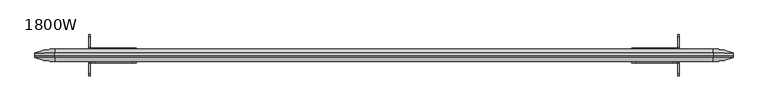
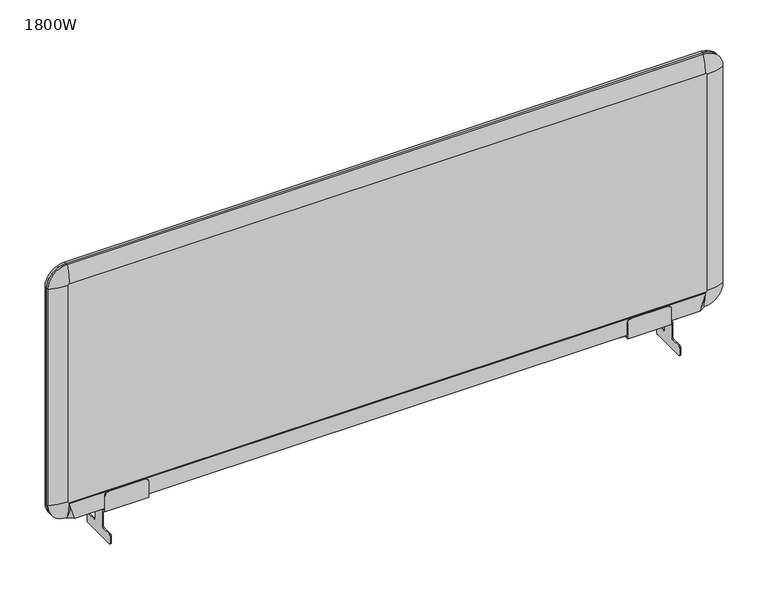
"""IFC4 building model written with IfcOpenShell, lengths in millimetres: furniture geometry, 1800W."""

import ifcopenshell
import ifcopenshell.guid

model = None  # the IFC model being written
_history = None  # IfcOwnerHistory: only IFC2X3 demands one
_inside = {}  # id of a spatial element -> (the spatial element, [elements in it])
_under = {}  # id of a project, library or spatial element -> (it, [spatial elements below it])
_declared = {}  # id of a project -> (the project, [libraries it declares])
_typed = {}  # id of a type object -> (the type object, [elements of that type])
_made_of = {}  # id of a material, layer set ... -> (it, [elements and type objects made of it])


def new_model(schema):
    """Start an empty IFC model of exactly this schema.

    Asked for "IFC4X3", IfcOpenShell would pick the latest addendum, in which some entities
    have other attributes; the version numbers below select the first issue.
    IFC2X3 requires an IfcOwnerHistory on every rooted entity: one is made here for all.
    """
    global model, _history
    if schema == "IFC4X3":
        model = ifcopenshell.file(schema_version=(4, 3, 0, 0))
    else:
        model = ifcopenshell.file(schema=schema)
    _inside.clear()
    _under.clear()
    _declared.clear()
    _typed.clear()
    _made_of.clear()
    _history = None
    if model.schema == "IFC2X3":
        org = make("IfcOrganization", Name="unknown")
        user = make(
            "IfcPersonAndOrganization",
            ThePerson=make("IfcPerson", FamilyName="unknown"),
            TheOrganization=org,
        )
        app = make(
            "IfcApplication",
            ApplicationDeveloper=org,
            Version="unknown",
            ApplicationFullName="unknown",
            ApplicationIdentifier="unknown",
        )
        _history = make(
            "IfcOwnerHistory",
            OwningUser=user,
            OwningApplication=app,
            ChangeAction="ADDED",
            CreationDate=0,
        )
    return model


def make(cls, **values):
    """One entity of the class cls with the attributes given. An attribute that is None is left unset."""
    return model.create_entity(
        cls, **{name: value for name, value in values.items() if value is not None}
    )


def rooted(cls, **values):
    """An entity with a GlobalId (a new one), such as an element, a storey or a relation."""
    return make(cls, GlobalId=ifcopenshell.guid.new(), OwnerHistory=_history, **values)


def si_unit(unit_type, name, prefix=None):
    """IfcSIUnit, for example si_unit("LENGTHUNIT", "METRE", prefix="MILLI")."""
    return make("IfcSIUnit", UnitType=unit_type, Prefix=prefix, Name=name)


def assignment(units):
    """IfcUnitAssignment: the units of a project."""
    return None if units is None else make("IfcUnitAssignment", Units=units)


def point(xyz):
    """IfcCartesianPoint."""
    return None if xyz is None else make("IfcCartesianPoint", Coordinates=xyz)


def direction(xyz):
    """IfcDirection."""
    return None if xyz is None else make("IfcDirection", DirectionRatios=xyz)


def frame(location, z_axis=None, x_axis=None):
    """IfcAxis2Placement3D, a coordinate frame: its origin and axes. An axis left out is left unset."""
    return make(
        "IfcAxis2Placement3D",
        Location=point(location),
        Axis=direction(z_axis),
        RefDirection=direction(x_axis),
    )


def origin():
    """The frame at (0, 0, 0) with its axes left unset."""
    return frame((0.0, 0.0, 0.0))


def place(relative_to, where):
    """IfcLocalPlacement: puts the frame where relative to a parent placement (None: the world)."""
    return make(
        "IfcLocalPlacement", PlacementRelTo=relative_to, RelativePlacement=where
    )


def context(
    kind, dimensions, precision=None, world=None, true_north=None, identifier=None
):
    """IfcGeometricRepresentationContext, for example the 3D "Model" context."""
    return make(
        "IfcGeometricRepresentationContext",
        ContextIdentifier=identifier,
        ContextType=kind,
        CoordinateSpaceDimension=dimensions,
        Precision=precision,
        WorldCoordinateSystem=world,
        TrueNorth=true_north,
    )


def project(units=None, contexts=None):
    """IfcProject with its units and contexts."""
    return rooted(
        "IfcProject",
        Name="project",
        RepresentationContexts=contexts,
        UnitsInContext=assignment(units),
    )


def spatial(cls, under=None, at=None, **own):
    """A site, building, storey or space (cls), placed at a placement, below another one or the project."""
    s = rooted(cls, ObjectPlacement=at, **own)
    if under is not None:
        _under.setdefault(under.id(), (under, []))[1].append(s)
    return s


def polyline(points):
    """IfcPolyline through the points."""
    return make("IfcPolyline", Points=[point(p) for p in points])


def circle_curve(where, radius):
    """IfcCircle in the frame where."""
    return make("IfcCircle", Position=where, Radius=radius)


def ellipse_curve(where, semi_axis1, semi_axis2):
    """IfcEllipse in the frame where."""
    return make(
        "IfcEllipse", Position=where, SemiAxis1=semi_axis1, SemiAxis2=semi_axis2
    )


def trimmed(basis, trim1, trim2, sense, master):
    """IfcTrimmedCurve: the piece of a basis curve between two trims."""
    return make(
        "IfcTrimmedCurve",
        BasisCurve=basis,
        Trim1=trim1,
        Trim2=trim2,
        SenseAgreement=sense,
        MasterRepresentation=master,
    )


def faces_of(points, faces, orient=None, outer=None):
    """IfcFace entities. A face is a list of loops; a loop is a list of indices into points, from 0.

    orient and outer hold one flag for each loop. By default every Orientation is true, the
    first loop of a face is its IfcFaceOuterBound and the others are IfcFaceBound.
    """
    made = []
    for i, loops in enumerate(faces):
        bounds = []
        for j, loop in enumerate(loops):
            is_outer = j == 0 if outer is None else outer[i][j]
            bounds.append(
                make(
                    "IfcFaceOuterBound" if is_outer else "IfcFaceBound",
                    Bound=make("IfcPolyLoop", Polygon=[points[k] for k in loop]),
                    Orientation=True if orient is None else orient[i][j],
                )
            )
        made.append(make("IfcFace", Bounds=bounds))
    return made


def faceted_brep(points, faces, orient=None, outer=None, voids=None):
    """IfcFacetedBrep: a solid bounded by flat faces; with voids (closed shells), ...WithVoids."""
    shared = [point(p) for p in points]
    hull = make("IfcClosedShell", CfsFaces=faces_of(shared, faces, orient, outer))
    if voids is None:
        return make("IfcFacetedBrep", Outer=hull)
    return make(
        "IfcFacetedBrepWithVoids",
        Outer=hull,
        Voids=[
            make(cls, CfsFaces=faces_of(shared, fs, o, b)) for cls, fs, o, b in voids
        ],
    )


def shape(context_of_items, identifier, shape_type, items):
    """IfcShapeRepresentation: the items that make up one representation, for example the "Body"."""
    return make(
        "IfcShapeRepresentation",
        ContextOfItems=context_of_items,
        RepresentationIdentifier=identifier,
        RepresentationType=shape_type,
        Items=items,
    )


def source(mapping_origin, context_of_items, identifier, shape_type, items):
    """IfcRepresentationMap: a shape defined once, which mapped items show again and again."""
    return make(
        "IfcRepresentationMap",
        MappingOrigin=mapping_origin,
        MappedRepresentation=shape(context_of_items, identifier, shape_type, items),
    )


def transform(
    local_origin,
    x_axis=None,
    y_axis=None,
    z_axis=None,
    scale=None,
    scale2=None,
    scale3=None,
    uniform=True,
):
    """IfcCartesianTransformationOperator3D, or its non-uniform kind. x_axis, y_axis, z_axis: its Axis1, 2, 3."""
    if uniform:
        return make(
            "IfcCartesianTransformationOperator3D",
            Axis1=direction(x_axis),
            Axis2=direction(y_axis),
            LocalOrigin=point(local_origin),
            Scale=scale,
            Axis3=direction(z_axis),
        )
    return make(
        "IfcCartesianTransformationOperator3DnonUniform",
        Axis1=direction(x_axis),
        Axis2=direction(y_axis),
        LocalOrigin=point(local_origin),
        Scale=scale,
        Axis3=direction(z_axis),
        Scale2=scale2,
        Scale3=scale3,
    )


def mapped(mapping_source, mapping_target):
    """IfcMappedItem: shows the shape of a source again, moved by a transform."""
    return make(
        "IfcMappedItem", MappingSource=mapping_source, MappingTarget=mapping_target
    )


def made_of(thing, what):
    """Note that an element or type object is made of a material, layer set ...; save() writes the relation."""
    if what is not None:
        _made_of.setdefault(what.id(), (what, []))[1].append(thing)
    return thing


def element(
    cls,
    number,
    at=None,
    inside=None,
    cuts=None,
    type_object=None,
    material=None,
    context=None,
    identifier="Body",
    shape_type=None,
    held_by="IfcProductDefinitionShape",
    body=None,
    shapes=None,
    **own,
):
    """One element of the class cls, such as IfcWall. Its Tag is "e" and its number.

    at: its placement. inside: the storey or other place that contains it. cuts: it is an
    opening in that element (IfcRelVoidsElement). A single representation is given by context,
    identifier, shape_type and body (its items); several are given by shapes. held_by: the class
    of the entity that holds the representations. save() writes the other relations.
    """
    e = rooted(cls, Tag="e%d" % number, ObjectPlacement=at, **own)
    if body is not None:
        shapes = [shape(context, identifier, shape_type, body)]
    if shapes is not None:
        e.Representation = make(held_by, Representations=shapes)
    if inside is not None:
        _inside.setdefault(inside.id(), (inside, []))[1].append(e)
    if cuts is not None:
        rooted(
            "IfcRelVoidsElement", RelatingBuildingElement=cuts, RelatedOpeningElement=e
        )
    if type_object is not None:
        _typed.setdefault(type_object.id(), (type_object, []))[1].append(e)
    return made_of(e, material)


def aggregate(whole, parts):
    """IfcRelAggregates: a whole, such as a stair, and the parts it consists of."""
    return rooted("IfcRelAggregates", RelatingObject=whole, RelatedObjects=parts)


def save(model, path):
    """Write the relations noted so far, then the file.

    IfcRelAggregates (storeys below a building ...), IfcRelContainedInSpatialStructure (elements
    in a storey), IfcRelDefinesByType, IfcRelAssociatesMaterial and IfcRelDeclares: one each for
    every whole, place, type object, material and project.
    """
    for whole, parts in _under.values():
        aggregate(whole, parts)
    for where, things in _inside.values():
        rooted(
            "IfcRelContainedInSpatialStructure",
            RelatedElements=things,
            RelatingStructure=where,
        )
    for kind, things in _typed.values():
        rooted("IfcRelDefinesByType", RelatedObjects=things, RelatingType=kind)
    for what, things in _made_of.values():
        rooted("IfcRelAssociatesMaterial", RelatedObjects=things, RelatingMaterial=what)
    for by, libraries in _declared.values():
        rooted("IfcRelDeclares", RelatingContext=by, RelatedDefinitions=libraries)
    model.write(path)


def plane_surface(at):
    """IfcPlane: the flat surface through the origin of the frame at, square to its z axis."""
    return make("IfcPlane", Position=at)


def cylinder_surface(at, radius):
    """IfcCylindricalSurface: all points at the distance radius from the z axis of the frame at."""
    return make("IfcCylindricalSurface", Position=at, Radius=radius)


def revolved_surface(curve, axis_point, axis_direction):
    """IfcSurfaceOfRevolution: the curve turned about the line through axis_point along axis_direction."""
    return make(
        "IfcSurfaceOfRevolution",
        SweptCurve=make("IfcArbitraryOpenProfileDef", ProfileType="CURVE", Curve=curve),
        AxisPosition=make("IfcAxis1Placement", Location=point(axis_point), Axis=direction(axis_direction)),
    )


def advanced_brep(points, edges, surfaces, faces):
    """IfcAdvancedBrep: a solid bounded by faces that lie on surfaces and meet in shared edges.

    An edge is (start, end): straight between two places in points (the first is 0);
    or (start, end, curve); or (start, end, curve, False) where it runs against its curve.
    A face is (place in surfaces, loops), or (place, loops, False) where it looks against
    its surface's normal. A loop lists edges by number (the first is 1), with a minus sign
    where the edge is run from its end to its start. The first loop is the outer one.
    """
    corners = [point(p) for p in points]
    vertices = [make("IfcVertexPoint", VertexGeometry=c) for c in corners]
    made = []
    for start, end, *more in edges:
        made.append(
            make(
                "IfcEdgeCurve",
                EdgeStart=vertices[start],
                EdgeEnd=vertices[end],
                EdgeGeometry=more[0] if more else make("IfcPolyline", Points=[corners[start], corners[end]]),
                SameSense=more[1] if len(more) > 1 else True,
            )
        )
    hull = []
    for where, loops, *sense in faces:
        bounds = []
        for j, loop in enumerate(loops):
            ring = [make("IfcOrientedEdge", EdgeElement=made[abs(k) - 1], Orientation=k > 0) for k in loop]
            bounds.append(
                make(
                    "IfcFaceOuterBound" if j == 0 else "IfcFaceBound",
                    Bound=make("IfcEdgeLoop", EdgeList=ring),
                    Orientation=True,
                )
            )
        hull.append(make("IfcAdvancedFace", Bounds=bounds, FaceSurface=surfaces[where], SameSense=sense[0] if sense else True))
    return make("IfcAdvancedBrep", Outer=make("IfcClosedShell", CfsFaces=hull))


def furniture_1800w_35664eb0(model_context):
    return source(origin(), model_context, "Body", "SolidModel", [
        advanced_brep(
        [(887.5, 6.0, 1169.0), (887.5, 0.0, 1169.0), (887.5, 0.0, 567.0), (887.5, 6.0, 567.0), (836.5, 6.0, 516.0), (836.5, 0.0, 516.0), (-836.5, 0.0, 516.0), (-836.5, 6.0, 516.0), (-887.5, 6.0, 567.0), (-887.5, 0.0, 567.0), (-887.5, 0.0, 1169.0), (-887.5, 6.0, 1169.0), (-836.5, 6.0, 1220.0), (-836.5, 0.0, 1220.0), (836.5, 0.0, 1220.0), (836.5, 6.0, 1220.0), (839.5416848, 16.0, 1169.0), (836.5, 16.0, 1172.0416848), (839.5416848, 16.0, 567.0), (836.5, 16.0, 563.9583152), (-836.5, 16.0, 563.9583152), (-839.5416848, 16.0, 567.0), (-839.5416848, 16.0, 1169.0), (-836.5, 16.0, 1172.0416848)],
        [
            (0, 1),
            (1, 2),
            (2, 3),
            (3, 0),
            (4, 5),
            (5, 6),
            (6, 7),
            (7, 4),
            (8, 9),
            (9, 10),
            (10, 11),
            (11, 8),
            (12, 13),
            (13, 14),
            (14, 15),
            (15, 12),
            (0, 15, circle_curve(frame((836.5, 6.0, 1169.0), z_axis=(0.0, -1.0, 0.0), x_axis=(0.0, 0.0, 1.0)), 51.0)),
            (14, 1, circle_curve(frame((836.5, 0.0, 1169.0), z_axis=(0.0, 1.0, 0.0), x_axis=(0.0, 0.0, 1.0)), 51.0)),
            (2, 5, circle_curve(frame((836.5, 0.0, 567.0), z_axis=(0.0, 1.0, 0.0), x_axis=(1.0, 0.0, 0.0)), 51.0)),
            (4, 3, circle_curve(frame((836.5, 6.0, 567.0), z_axis=(0.0, -1.0, 0.0), x_axis=(1.0, 0.0, 0.0)), 51.0)),
            (6, 9, circle_curve(frame((-836.5, 0.0, 567.0), z_axis=(0.0, 1.0, 0.0), x_axis=(0.0, 0.0, -1.0)), 51.0)),
            (8, 7, circle_curve(frame((-836.5, 6.0, 567.0), z_axis=(0.0, -1.0, 0.0), x_axis=(0.0, 0.0, -1.0)), 51.0)),
            (10, 13, circle_curve(frame((-836.5, 0.0, 1169.0), z_axis=(0.0, 1.0, 0.0), x_axis=(-1.0, 0.0, 0.0)), 51.0)),
            (12, 11, circle_curve(frame((-836.5, 6.0, 1169.0), z_axis=(0.0, -1.0, 0.0), x_axis=(-1.0, 0.0, 0.0)), 51.0)),
            (0, 16, circle_curve(frame((839.5416848, -104.0, 1169.0), z_axis=(0.0, 0.0, 1.0), x_axis=(-1.0, 0.0, 0.0)), 120.0)),
            (16, 17, circle_curve(frame((836.5, 16.0, 1169.0), z_axis=(0.0, -1.0, 0.0), x_axis=(0.0, 0.0, 1.0)), 3.0416848)),
            (17, 15, circle_curve(frame((836.5, -104.0, 1172.0416848), z_axis=(1.0, 0.0, 0.0), x_axis=(0.0, 0.0, -1.0)), 120.0)),
            (3, 18, circle_curve(frame((839.5416848, -104.0, 567.0), z_axis=(0.0, 0.0, 1.0), x_axis=(-1.0, 0.0, 0.0)), 120.0)),
            (18, 16),
            (4, 19, circle_curve(frame((836.5, -104.0, 563.9583152), z_axis=(1.0, 0.0, 0.0), x_axis=(0.0, 0.0, 1.0)), 120.0)),
            (19, 18, circle_curve(frame((836.5, 16.0, 567.0), z_axis=(0.0, -1.0, 0.0), x_axis=(1.0, 0.0, 0.0)), 3.0416848)),
            (7, 20, circle_curve(frame((-836.5, -104.0, 563.9583152), z_axis=(1.0, 0.0, 0.0), x_axis=(0.0, 0.0, 1.0)), 120.0)),
            (20, 19),
            (8, 21, circle_curve(frame((-839.5416848, -104.0, 567.0), z_axis=(0.0, 0.0, -1.0), x_axis=(1.0, 0.0, 0.0)), 120.0)),
            (21, 20, circle_curve(frame((-836.5, 16.0, 567.0), z_axis=(0.0, -1.0, 0.0), x_axis=(0.0, 0.0, -1.0)), 3.0416848)),
            (11, 22, circle_curve(frame((-839.5416848, -104.0, 1169.0), z_axis=(0.0, 0.0, -1.0), x_axis=(1.0, 0.0, 0.0)), 120.0)),
            (22, 21),
            (12, 23, circle_curve(frame((-836.5, -104.0, 1172.0416848), z_axis=(-1.0, 0.0, 0.0), x_axis=(0.0, 0.0, -1.0)), 120.0)),
            (23, 22, circle_curve(frame((-836.5, 16.0, 1169.0), z_axis=(0.0, -1.0, 0.0), x_axis=(-1.0, 0.0, 0.0)), 3.0416848)),
            (17, 23),
        ],
        [
            plane_surface(frame((887.5, 0.0, 1169.0), z_axis=(1.0, 0.0, 0.0), x_axis=(0.0, 0.0, -1.0))),
            plane_surface(frame((836.5, 0.0, 516.0), z_axis=(0.0, 0.0, -1.0), x_axis=(-1.0, 0.0, 0.0))),
            plane_surface(frame((-887.5, 0.0, 567.0), z_axis=(-1.0, 0.0, 0.0), x_axis=(0.0, 0.0, 1.0))),
            plane_surface(frame((-836.5, 0.0, 1220.0), z_axis=(0.0, 0.0, 1.0), x_axis=(1.0, 0.0, 0.0))),
            cylinder_surface(frame((836.5, 0.0, 1169.0), z_axis=(0.0, 1.0, 0.0), x_axis=(0.0, 0.0, 1.0)), 51.0),
            cylinder_surface(frame((836.5, 0.0, 567.0), z_axis=(0.0, 1.0, 0.0), x_axis=(1.0, 0.0, 0.0)), 51.0),
            cylinder_surface(frame((-836.5, 0.0, 567.0), z_axis=(0.0, 1.0, 0.0), x_axis=(0.0, 0.0, -1.0)), 51.0),
            cylinder_surface(frame((-836.5, 0.0, 1169.0), z_axis=(0.0, 1.0, 0.0), x_axis=(-1.0, 0.0, 0.0)), 51.0),
            plane_surface(frame((-836.5, 0.0, 1170.0), z_axis=(0.0, -1.0, 0.0), x_axis=(1.0, 0.0, 0.0))),
            revolved_surface(trimmed(ellipse_curve(frame((836.5, -104.0, 1172.0416848), z_axis=(-1.0, 0.0, 0.0), x_axis=(0.0, 0.0, -1.0)), 120.0, 120.0), [point((836.5, 6.0, 1220.0))], [point((836.5, 16.0, 1172.0416848))], True, "CARTESIAN"), (836.5, 0.0, 1169.0), (0.0, 1.0, 0.0)),
            cylinder_surface(frame((839.5416848, -104.0, 1169.0), z_axis=(0.0, 0.0, 1.0), x_axis=(-1.0, 0.0, 0.0)), 120.0),
            revolved_surface(trimmed(ellipse_curve(frame((839.5416848, -104.0, 567.0), z_axis=(0.0, 0.0, 1.0), x_axis=(-1.0, 0.0, 0.0)), 120.0, 120.0), [point((887.5, 6.0, 567.0))], [point((839.5416848, 16.0, 567.0))], True, "CARTESIAN"), (836.5, 0.0, 567.0), (0.0, 1.0, 0.0)),
            cylinder_surface(frame((836.5, -104.0, 563.9583152), z_axis=(1.0, 0.0, 0.0), x_axis=(0.0, 0.0, 1.0)), 120.0),
            revolved_surface(trimmed(ellipse_curve(frame((-836.5, -104.0, 563.9583152), z_axis=(1.0, 0.0, 0.0), x_axis=(0.0, 0.0, 1.0)), 120.0, 120.0), [point((-836.5, 6.0, 516.0))], [point((-836.5, 16.0, 563.9583152))], True, "CARTESIAN"), (-836.5, 0.0, 567.0), (0.0, 1.0, 0.0)),
            cylinder_surface(frame((-839.5416848, -104.0, 567.0), z_axis=(0.0, 0.0, -1.0), x_axis=(1.0, 0.0, 0.0)), 120.0),
            revolved_surface(trimmed(ellipse_curve(frame((-839.5416848, -104.0, 1169.0), z_axis=(0.0, 0.0, -1.0), x_axis=(1.0, 0.0, 0.0)), 120.0, 120.0), [point((-887.5, 6.0, 1169.0))], [point((-839.5416848, 16.0, 1169.0))], True, "CARTESIAN"), (-836.5, 0.0, 1169.0), (0.0, 1.0, 0.0)),
            cylinder_surface(frame((-836.5, -104.0, 1172.0416848), z_axis=(-1.0, 0.0, 0.0), x_axis=(0.0, 0.0, -1.0)), 120.0),
            plane_surface(frame((-836.5, 16.0, 1172.0416848), z_axis=(0.0, 1.0, 0.0), x_axis=(1.0, 0.0, 0.0))),
        ],
        [
            (0, [[1, 2, 3, 4]]),
            (1, [[5, 6, 7, 8]]),
            (2, [[9, 10, 11, 12]]),
            (3, [[13, 14, 15, 16]]),
            (4, [[-1, 17, -15, 18]]),
            (5, [[-3, 19, -5, 20]]),
            (6, [[-7, 21, -9, 22]]),
            (7, [[-11, 23, -13, 24]]),
            (8, [[-2, -18, -14, -23, -10, -21, -6, -19]]),
            (9, [[-17, 25, 26, 27]]),
            (10, [[-4, 28, 29, -25]]),
            (11, [[-20, 30, 31, -28]]),
            (12, [[-8, 32, 33, -30]]),
            (13, [[-22, 34, 35, -32]]),
            (14, [[-12, 36, 37, -34]]),
            (15, [[-24, 38, 39, -36]]),
            (16, [[-16, -27, 40, -38]]),
            (17, [[-26, -29, -31, -33, -35, -37, -39, -40]]),
        ],
    ),
        advanced_brep(
        [(836.5, -16.0, 1172.0416848), (-836.5, -16.0, 1172.0416848), (-839.5416848, -16.0, 1169.0), (-839.5416848, -16.0, 567.0), (-836.5, -16.0, 563.9583152), (836.5, -16.0, 563.9583152), (839.5416848, -16.0, 567.0), (839.5416848, -16.0, 1169.0), (887.5, 0.0, 1169.0), (887.5, 0.0, 567.0), (836.5, 0.0, 516.0), (-836.5, 0.0, 516.0), (-887.5, 0.0, 567.0), (-887.5, 0.0, 1169.0), (-836.5, 0.0, 1220.0), (836.5, 0.0, 1220.0), (887.5, -6.0, 1169.0), (887.5, -6.0, 567.0), (836.5, -6.0, 516.0), (-836.5, -6.0, 516.0), (-887.5, -6.0, 567.0), (-887.5, -6.0, 1169.0), (-836.5, -6.0, 1220.0), (836.5, -6.0, 1220.0)],
        [
            (0, 1),
            (1, 2, circle_curve(frame((-836.5, -16.0, 1169.0), z_axis=(0.0, -1.0, 0.0), x_axis=(-1.0, 0.0, 0.0)), 3.0416848)),
            (2, 3),
            (3, 4, circle_curve(frame((-836.5, -16.0, 567.0), z_axis=(0.0, -1.0, 0.0), x_axis=(0.0, 0.0, -1.0)), 3.0416848)),
            (4, 5),
            (5, 6, circle_curve(frame((836.5, -16.0, 567.0), z_axis=(0.0, -1.0, 0.0), x_axis=(1.0, 0.0, 0.0)), 3.0416848)),
            (6, 7),
            (7, 0, circle_curve(frame((836.5, -16.0, 1169.0), z_axis=(0.0, -1.0, 0.0), x_axis=(0.0, 0.0, 1.0)), 3.0416848)),
            (8, 9),
            (9, 10, circle_curve(frame((836.5, 0.0, 567.0), z_axis=(0.0, 1.0, 0.0), x_axis=(1.0, 0.0, 0.0)), 51.0)),
            (10, 11),
            (11, 12, circle_curve(frame((-836.5, 0.0, 567.0), z_axis=(0.0, 1.0, 0.0), x_axis=(0.0, 0.0, -1.0)), 51.0)),
            (12, 13),
            (13, 14, circle_curve(frame((-836.5, 0.0, 1169.0), z_axis=(0.0, 1.0, 0.0), x_axis=(-1.0, 0.0, 0.0)), 51.0)),
            (14, 15),
            (15, 8, circle_curve(frame((836.5, 0.0, 1169.0), z_axis=(0.0, 1.0, 0.0), x_axis=(0.0, 0.0, 1.0)), 51.0)),
            (8, 16),
            (16, 17),
            (17, 9),
            (10, 18),
            (18, 19),
            (19, 11),
            (12, 20),
            (20, 21),
            (21, 13),
            (14, 22),
            (22, 23),
            (23, 15),
            (23, 16, circle_curve(frame((836.5, -6.0, 1169.0), z_axis=(0.0, 1.0, 0.0), x_axis=(0.0, 0.0, 1.0)), 51.0)),
            (17, 18, circle_curve(frame((836.5, -6.0, 567.0), z_axis=(0.0, 1.0, 0.0), x_axis=(1.0, 0.0, 0.0)), 51.0)),
            (19, 20, circle_curve(frame((-836.5, -6.0, 567.0), z_axis=(0.0, 1.0, 0.0), x_axis=(0.0, 0.0, -1.0)), 51.0)),
            (21, 22, circle_curve(frame((-836.5, -6.0, 1169.0), z_axis=(0.0, 1.0, 0.0), x_axis=(-1.0, 0.0, 0.0)), 51.0)),
            (23, 0, circle_curve(frame((836.5, 104.0, 1172.0416848), z_axis=(1.0, 0.0, 0.0), x_axis=(0.0, 0.0, 1.0)), 120.0)),
            (7, 16, circle_curve(frame((839.5416848, 104.0, 1169.0), z_axis=(0.0, 0.0, 1.0), x_axis=(1.0, 0.0, 0.0)), 120.0)),
            (6, 17, circle_curve(frame((839.5416848, 104.0, 567.0), z_axis=(0.0, 0.0, 1.0), x_axis=(1.0, 0.0, 0.0)), 120.0)),
            (5, 18, circle_curve(frame((836.5, 104.0, 563.9583152), z_axis=(1.0, 0.0, 0.0), x_axis=(0.0, 0.0, -1.0)), 120.0)),
            (4, 19, circle_curve(frame((-836.5, 104.0, 563.9583152), z_axis=(1.0, 0.0, 0.0), x_axis=(0.0, 0.0, -1.0)), 120.0)),
            (3, 20, circle_curve(frame((-839.5416848, 104.0, 567.0), z_axis=(0.0, 0.0, -1.0), x_axis=(-1.0, 0.0, 0.0)), 120.0)),
            (2, 21, circle_curve(frame((-839.5416848, 104.0, 1169.0), z_axis=(0.0, 0.0, -1.0), x_axis=(-1.0, 0.0, 0.0)), 120.0)),
            (1, 22, circle_curve(frame((-836.5, 104.0, 1172.0416848), z_axis=(-1.0, 0.0, 0.0), x_axis=(0.0, 0.0, 1.0)), 120.0)),
        ],
        [
            plane_surface(frame((-835.5, -16.0, 1169.0), z_axis=(0.0, -1.0, 0.0), x_axis=(0.0, 0.0, 1.0))),
            plane_surface(frame((-835.5, 0.0, 1169.0), z_axis=(0.0, 1.0, 0.0), x_axis=(0.0, 0.0, -1.0))),
            plane_surface(frame((887.5, -6.0, 1169.0), z_axis=(1.0, 0.0, 0.0), x_axis=(0.0, 0.0, -1.0))),
            plane_surface(frame((836.5, -6.0, 516.0), z_axis=(0.0, 0.0, -1.0), x_axis=(-1.0, 0.0, 0.0))),
            plane_surface(frame((-887.5, -6.0, 567.0), z_axis=(-1.0, 0.0, 0.0), x_axis=(0.0, 0.0, 1.0))),
            plane_surface(frame((-836.5, -6.0, 1220.0), z_axis=(0.0, 0.0, 1.0), x_axis=(1.0, 0.0, 0.0))),
            cylinder_surface(frame((836.5, 0.0, 1169.0), z_axis=(0.0, 1.0, 0.0), x_axis=(0.0, 0.0, 1.0)), 51.0),
            cylinder_surface(frame((836.5, 0.0, 567.0), z_axis=(0.0, 1.0, 0.0), x_axis=(1.0, 0.0, 0.0)), 51.0),
            cylinder_surface(frame((-836.5, 0.0, 567.0), z_axis=(0.0, 1.0, 0.0), x_axis=(0.0, 0.0, -1.0)), 51.0),
            cylinder_surface(frame((-836.5, 0.0, 1169.0), z_axis=(0.0, 1.0, 0.0), x_axis=(-1.0, 0.0, 0.0)), 51.0),
            revolved_surface(trimmed(ellipse_curve(frame((836.5, 104.0, 1172.0416848), z_axis=(-1.0, 0.0, 0.0), x_axis=(0.0, 0.0, 1.0)), 120.0, 120.0), [point((836.5, -16.0, 1172.0416848))], [point((836.5, -6.0, 1220.0))], True, "CARTESIAN"), (836.5, 0.0, 1169.0), (0.0, 1.0, 0.0)),
            cylinder_surface(frame((839.5416848, 104.0, 1169.0), z_axis=(0.0, 0.0, 1.0), x_axis=(1.0, 0.0, 0.0)), 120.0),
            revolved_surface(trimmed(ellipse_curve(frame((839.5416848, 104.0, 567.0), z_axis=(0.0, 0.0, 1.0), x_axis=(1.0, 0.0, 0.0)), 120.0, 120.0), [point((839.5416848, -16.0, 567.0))], [point((887.5, -6.0, 567.0))], True, "CARTESIAN"), (836.5, 0.0, 567.0), (0.0, 1.0, 0.0)),
            cylinder_surface(frame((836.5, 104.0, 563.9583152), z_axis=(1.0, 0.0, 0.0), x_axis=(0.0, 0.0, -1.0)), 120.0),
            revolved_surface(trimmed(ellipse_curve(frame((-836.5, 104.0, 563.9583152), z_axis=(1.0, 0.0, 0.0), x_axis=(0.0, 0.0, -1.0)), 120.0, 120.0), [point((-836.5, -16.0, 563.9583152))], [point((-836.5, -6.0, 516.0))], True, "CARTESIAN"), (-836.5, 0.0, 567.0), (0.0, 1.0, 0.0)),
            cylinder_surface(frame((-839.5416848, 104.0, 567.0), z_axis=(0.0, 0.0, -1.0), x_axis=(-1.0, 0.0, 0.0)), 120.0),
            revolved_surface(trimmed(ellipse_curve(frame((-839.5416848, 104.0, 1169.0), z_axis=(0.0, 0.0, -1.0), x_axis=(-1.0, 0.0, 0.0)), 120.0, 120.0), [point((-839.5416848, -16.0, 1169.0))], [point((-887.5, -6.0, 1169.0))], True, "CARTESIAN"), (-836.5, 0.0, 1169.0), (0.0, 1.0, 0.0)),
            cylinder_surface(frame((-836.5, 104.0, 1172.0416848), z_axis=(-1.0, 0.0, 0.0), x_axis=(0.0, 0.0, 1.0)), 120.0),
        ],
        [
            (0, [[1, 2, 3, 4, 5, 6, 7, 8]]),
            (1, [[9, 10, 11, 12, 13, 14, 15, 16]]),
            (2, [[17, 18, 19, -9]]),
            (3, [[20, 21, 22, -11]]),
            (4, [[23, 24, 25, -13]]),
            (5, [[26, 27, 28, -15]]),
            (6, [[-17, -16, -28, 29]]),
            (7, [[-19, 30, -20, -10]]),
            (8, [[-22, 31, -23, -12]]),
            (9, [[-25, 32, -26, -14]]),
            (10, [[-29, 33, -8, 34]]),
            (11, [[-18, -34, -7, 35]]),
            (12, [[-30, -35, -6, 36]]),
            (13, [[-21, -36, -5, 37]]),
            (14, [[-31, -37, -4, 38]]),
            (15, [[-24, -38, -3, 39]]),
            (16, [[-32, -39, -2, 40]]),
            (17, [[-27, -40, -1, -33]]),
        ],
    ),
        faceted_brep([(837.5, 16.0, 566.0), (-837.5, 16.0, 566.0), (-837.5, -16.0, 566.0), (837.5, -16.0, 566.0), (822.5, 16.0, 516.0), (837.5, 6.0, 516.0), (837.5, -6.0, 516.0), (822.5, -16.0, 516.0), (-822.5, -16.0, 516.0), (-837.5, -6.0, 516.0), (-837.5, 6.0, 516.0), (-822.5, 16.0, 516.0)], [[[0, 1, 2, 3]], [[4, 5, 6, 7, 8, 9, 10, 11]], [[8, 7, 3, 2]], [[7, 6, 3]], [[6, 5, 0, 3]], [[5, 4, 0]], [[4, 11, 1, 0]], [[10, 9, 2, 1]], [[11, 10, 1]], [[9, 8, 2]]]),
        advanced_brep(
        [(-750.0, 21.0, 465.4998693), (-750.0, 47.5, 465.4998693), (-750.0, 52.5, 460.4998693), (-750.0, 52.5, 443.4998693), (-750.0, 47.5, 438.4998693), (-750.0, -47.5, 438.4998693), (-750.0, -52.5, 443.4998693), (-750.0, -52.5, 460.4998693), (-750.0, -47.5, 465.4998693), (-750.0, -21.0, 465.4998693), (-750.0, -16.0, 470.4998693), (-750.0, -16.0, 511.0), (-750.0, -10.0, 511.0), (-750.0, 10.0, 511.0), (-750.0, 16.0, 511.0), (-750.0, 16.0, 470.4998693), (-747.0, 21.0, 465.4998693), (-747.0, 16.0, 470.4998693), (-747.0, 16.0, 508.0), (-747.0, -16.0, 508.0), (-747.0, -16.0, 470.4998693), (-747.0, -21.0, 465.4998693), (-747.0, -47.5, 465.4998693), (-747.0, -52.5, 460.4998693), (-747.0, -52.5, 443.4998693), (-747.0, -47.5, 438.4998693), (-747.0, 47.5, 438.4998693), (-747.0, 52.5, 443.4998693), (-747.0, 52.5, 460.4998693), (-747.0, 47.5, 465.4998693), (-744.599983, -16.0, 508.0), (-744.599983, -16.0, 511.0), (-629.599983, -16.0, 511.0), (-629.599983, -10.0, 511.0), (-744.599983, 16.0, 511.0), (-629.599983, 10.0, 511.0), (-629.599983, 16.0, 511.0), (-744.599983, 16.0, 508.0), (-744.599983, 19.0, 508.0), (-629.599983, 19.0, 508.0), (-629.599983, -19.0, 508.0), (-744.599983, -19.0, 508.0), (-629.599983, 19.0, 551.0), (-629.599983, 16.0, 551.0), (-629.599983, -16.0, 551.0), (-629.599983, -19.0, 551.0), (-639.599983, 19.0, 561.0), (-744.599983, 19.0, 551.0), (-734.599983, 19.0, 561.0), (-639.599983, 16.0, 561.0), (-734.599983, 16.0, 561.0), (-744.599983, 16.0, 551.0), (-639.599983, -19.0, 561.0), (-734.599983, -19.0, 561.0), (-744.599983, -19.0, 551.0), (-639.599983, -16.0, 561.0), (-744.599983, -16.0, 551.0), (-734.599983, -16.0, 561.0), (-764.4999895, -10.0, 516.0), (-764.4999895, -10.0, 511.0), (-614.599983, -10.0, 511.0), (-614.599983, -10.0, 516.0), (-764.4999895, 10.0, 516.0), (-614.599983, 10.0, 516.0), (-614.599983, 10.0, 511.0), (-764.4999895, 10.0, 511.0)],
        [
            (0, 1),
            (1, 2, circle_curve(frame((-750.0, 47.5, 460.4998693), z_axis=(-1.0, 0.0, 0.0), x_axis=(0.0, 1.0, 0.0)), 5.0)),
            (2, 3),
            (3, 4, circle_curve(frame((-750.0, 47.5, 443.4998693), z_axis=(-1.0, 0.0, 0.0), x_axis=(0.0, 1.0, 0.0)), 5.0)),
            (4, 5),
            (5, 6, circle_curve(frame((-750.0, -47.5, 443.4998693), z_axis=(-1.0, 0.0, 0.0), x_axis=(0.0, 1.0, 0.0)), 5.0)),
            (6, 7),
            (7, 8, circle_curve(frame((-750.0, -47.5, 460.4998693), z_axis=(-1.0, 0.0, 0.0), x_axis=(0.0, 1.0, 0.0)), 5.0)),
            (8, 9),
            (9, 10, circle_curve(frame((-750.0, -21.0, 470.4998693), z_axis=(1.0, 0.0, 0.0), x_axis=(0.0, 1.0, 0.0)), 5.0)),
            (10, 11),
            (11, 12),
            (12, 13),
            (13, 14),
            (14, 15),
            (15, 0, circle_curve(frame((-750.0, 21.0, 470.4998693), z_axis=(1.0, 0.0, 0.0), x_axis=(0.0, 1.0, 0.0)), 5.0)),
            (16, 17, circle_curve(frame((-747.0, 21.0, 470.4998693), z_axis=(-1.0, 0.0, 0.0), x_axis=(0.0, 1.0, 0.0)), 5.0)),
            (17, 18),
            (18, 19),
            (19, 20),
            (20, 21, circle_curve(frame((-747.0, -21.0, 470.4998693), z_axis=(-1.0, 0.0, 0.0), x_axis=(0.0, 1.0, 0.0)), 5.0)),
            (21, 22),
            (22, 23, circle_curve(frame((-747.0, -47.5, 460.4998693), z_axis=(1.0, 0.0, 0.0), x_axis=(0.0, 1.0, 0.0)), 5.0)),
            (23, 24),
            (24, 25, circle_curve(frame((-747.0, -47.5, 443.4998693), z_axis=(1.0, 0.0, 0.0), x_axis=(0.0, 1.0, 0.0)), 5.0)),
            (25, 26),
            (26, 27, circle_curve(frame((-747.0, 47.5, 443.4998693), z_axis=(1.0, 0.0, 0.0), x_axis=(0.0, 1.0, 0.0)), 5.0)),
            (27, 28),
            (28, 29, circle_curve(frame((-747.0, 47.5, 460.4998693), z_axis=(1.0, 0.0, 0.0), x_axis=(0.0, 1.0, 0.0)), 5.0)),
            (29, 16),
            (7, 23),
            (22, 8),
            (6, 24),
            (5, 25),
            (4, 26),
            (3, 27),
            (2, 28),
            (1, 29),
            (0, 16),
            (21, 9),
            (20, 10),
            (19, 30),
            (30, 31),
            (31, 11),
            (31, 32),
            (32, 33),
            (33, 12),
            (34, 14),
            (13, 35),
            (35, 36),
            (36, 34),
            (34, 37),
            (37, 18),
            (17, 15),
            (37, 38),
            (38, 39),
            (39, 40),
            (40, 41),
            (41, 30),
            (39, 42),
            (42, 43),
            (43, 36),
            (35, 33),
            (32, 44),
            (44, 45),
            (45, 40),
            (46, 42, circle_curve(frame((-639.599983, 19.0, 551.0), z_axis=(0.0, 1.0, 0.0), x_axis=(1.0, 0.0, 0.0)), 10.0)),
            (38, 47),
            (47, 48, circle_curve(frame((-734.599983, 19.0, 551.0), z_axis=(0.0, 1.0, 0.0), x_axis=(1.0, 0.0, 0.0)), 10.0)),
            (48, 46),
            (49, 50),
            (50, 51, circle_curve(frame((-734.599983, 16.0, 551.0), z_axis=(0.0, -1.0, 0.0), x_axis=(1.0, 0.0, 0.0)), 10.0)),
            (51, 34),
            (43, 49, circle_curve(frame((-639.599983, 16.0, 551.0), z_axis=(0.0, -1.0, 0.0), x_axis=(1.0, 0.0, 0.0)), 10.0)),
            (48, 50),
            (49, 46),
            (47, 51),
            (52, 53),
            (53, 54, circle_curve(frame((-734.599983, -19.0, 551.0), z_axis=(0.0, -1.0, 0.0), x_axis=(1.0, 0.0, 0.0)), 10.0)),
            (54, 41),
            (45, 52, circle_curve(frame((-639.599983, -19.0, 551.0), z_axis=(0.0, -1.0, 0.0), x_axis=(1.0, 0.0, 0.0)), 10.0)),
            (55, 44, circle_curve(frame((-639.599983, -16.0, 551.0), z_axis=(0.0, 1.0, 0.0), x_axis=(1.0, 0.0, 0.0)), 10.0)),
            (31, 56),
            (56, 57, circle_curve(frame((-734.599983, -16.0, 551.0), z_axis=(0.0, 1.0, 0.0), x_axis=(1.0, 0.0, 0.0)), 10.0)),
            (57, 55),
            (52, 55),
            (57, 53),
            (56, 54),
            (58, 59),
            (59, 12),
            (33, 60),
            (60, 61),
            (61, 58),
            (62, 63),
            (63, 64),
            (64, 35),
            (13, 65),
            (65, 62),
            (58, 62),
            (65, 59),
            (64, 60),
            (63, 61),
        ],
        [
            plane_surface(frame((-750.0, 36.0, 465.4998693), z_axis=(-1.0, 0.0, 0.0), x_axis=(0.0, 1.0, 0.0))),
            plane_surface(frame((-747.0, 36.0, 465.4998693), z_axis=(1.0, 0.0, 0.0), x_axis=(0.0, -1.0, 0.0))),
            cylinder_surface(frame((-747.0, -47.5, 460.4998693), z_axis=(-1.0, 0.0, 0.0), x_axis=(0.0, 1.0, 0.0)), 5.0),
            plane_surface(frame((-750.0, -52.5, 443.4998693), z_axis=(0.0, -1.0, 0.0), x_axis=(1.0, 0.0, 0.0))),
            cylinder_surface(frame((-747.0, -47.5, 443.4998693), z_axis=(-1.0, 0.0, 0.0), x_axis=(0.0, 1.0, 0.0)), 5.0),
            plane_surface(frame((-750.0, 47.5, 438.4998693), z_axis=(0.0, 0.0, -1.0), x_axis=(1.0, 0.0, 0.0))),
            cylinder_surface(frame((-747.0, 47.5, 443.4998693), z_axis=(-1.0, 0.0, 0.0), x_axis=(0.0, 1.0, 0.0)), 5.0),
            plane_surface(frame((-750.0, 52.5, 460.4998693), z_axis=(0.0, 1.0, 0.0), x_axis=(1.0, 0.0, 0.0))),
            cylinder_surface(frame((-747.0, 47.5, 460.4998693), z_axis=(-1.0, 0.0, 0.0), x_axis=(0.0, 1.0, 0.0)), 5.0),
            plane_surface(frame((-750.0, 21.0, 465.4998693), z_axis=(0.0, 0.0, 1.0), x_axis=(1.0, 0.0, 0.0))),
            plane_surface(frame((-750.0, -47.5, 465.4998693), z_axis=(0.0, 0.0, 1.0), x_axis=(1.0, 0.0, 0.0))),
            revolved_surface(polyline([(-747.0, -16.0, 470.4998693), (-750.0, -16.0, 470.4998693)]), (-747.0, -21.0, 470.4998693), (1.0, 0.0, 0.0)),
            plane_surface(frame((-750.0, -16.0, 470.4998693), z_axis=(0.0, -1.0, 0.0), x_axis=(1.0, 0.0, 0.0))),
            plane_surface(frame((-750.0, -16.0, 511.0), z_axis=(0.0, 0.0, 1.0), x_axis=(1.0, 0.0, 0.0))),
            plane_surface(frame((-750.0, 16.0, 511.0), z_axis=(0.0, 1.0, 0.0), x_axis=(1.0, 0.0, 0.0))),
            revolved_surface(polyline([(-747.0, 26.0, 470.4998693), (-750.0, 26.0, 470.4998693)]), (-747.0, 21.0, 470.4998693), (1.0, 0.0, 0.0)),
            plane_surface(frame((-747.0, -16.0, 508.0), z_axis=(0.0, 0.0, -1.0), x_axis=(0.0, 1.0, 0.0))),
            plane_surface(frame((-629.599983, -16.0, 508.0), z_axis=(1.0, 0.0, 0.0), x_axis=(0.0, 1.0, 0.0))),
            plane_surface(frame((-629.599983, 19.0, 551.0), z_axis=(0.0, 1.0, 0.0), x_axis=(0.0, 0.0, -1.0))),
            plane_surface(frame((-629.599983, 16.0, 551.0), z_axis=(0.0, -1.0, 0.0), x_axis=(0.0, 0.0, 1.0))),
            plane_surface(frame((-734.599983, 19.0, 561.0), z_axis=(0.0, 0.0, 1.0), x_axis=(0.0, -1.0, 0.0))),
            cylinder_surface(frame((-734.599983, 16.0, 551.0), z_axis=(0.0, 1.0, 0.0), x_axis=(1.0, 0.0, 0.0)), 10.0),
            plane_surface(frame((-744.599983, 19.0, 508.0), z_axis=(-1.0, 0.0, 0.0), x_axis=(0.0, -1.0, 0.0))),
            cylinder_surface(frame((-639.599983, 16.0, 551.0), z_axis=(0.0, 1.0, 0.0), x_axis=(1.0, 0.0, 0.0)), 10.0),
            plane_surface(frame((-734.599983, -19.0, 561.0), z_axis=(0.0, -1.0, 0.0), x_axis=(-1.0, 0.0, 0.0))),
            plane_surface(frame((-734.599983, -16.0, 561.0), z_axis=(0.0, 1.0, 0.0), x_axis=(1.0, 0.0, 0.0))),
            plane_surface(frame((-639.599983, -19.0, 561.0), z_axis=(0.0, 0.0, 1.0), x_axis=(0.0, 1.0, 0.0))),
            cylinder_surface(frame((-734.599983, -16.0, 551.0), z_axis=(0.0, -1.0, 0.0), x_axis=(1.0, 0.0, 0.0)), 10.0),
            plane_surface(frame((-744.599983, -19.0, 551.0), z_axis=(-1.0, 0.0, 0.0), x_axis=(0.0, 1.0, 0.0))),
            cylinder_surface(frame((-639.599983, -16.0, 551.0), z_axis=(0.0, -1.0, 0.0), x_axis=(1.0, 0.0, 0.0)), 10.0),
            plane_surface(frame((614.4999907, -10.0, 516.0), z_axis=(0.0, -1.0, 0.0), x_axis=(-1.0, 0.0, 0.0))),
            plane_surface(frame((614.4999907, 10.0, 516.0), z_axis=(0.0, 1.0, 0.0), x_axis=(1.0, 0.0, 0.0))),
            plane_surface(frame((-764.4999895, -10.0, 516.0), z_axis=(-1.0, 0.0, 0.0), x_axis=(0.0, 1.0, 0.0))),
            plane_surface(frame((-764.4999895, -10.0, 511.0), z_axis=(0.0, 0.0, -1.0), x_axis=(0.0, 1.0, 0.0))),
            plane_surface(frame((-614.599983, -10.0, 511.0), z_axis=(1.0, 0.0, 0.0), x_axis=(0.0, 1.0, 0.0))),
            plane_surface(frame((-614.599983, -10.0, 516.0), z_axis=(0.0, 0.0, 1.0), x_axis=(0.0, 1.0, 0.0))),
        ],
        [
            (0, [[1, 2, 3, 4, 5, 6, 7, 8, 9, 10, 11, 12, 13, 14, 15, 16]]),
            (1, [[17, 18, 19, 20, 21, 22, 23, 24, 25, 26, 27, 28, 29, 30]]),
            (2, [[-8, 31, -23, 32]]),
            (3, [[-7, 33, -24, -31]]),
            (4, [[-6, 34, -25, -33]]),
            (5, [[-5, 35, -26, -34]]),
            (6, [[-4, 36, -27, -35]]),
            (7, [[-3, 37, -28, -36]]),
            (8, [[-2, 38, -29, -37]]),
            (9, [[-1, 39, -30, -38]]),
            (10, [[-9, -32, -22, 40]]),
            (11, [[-10, -40, -21, 41]]),
            (12, [[-11, -41, -20, 42, 43, 44]]),
            (13, [[-44, 45, 46, 47, -12]]),
            (13, [[48, -14, 49, 50, 51]]),
            (14, [[-15, -48, 52, 53, -18, 54]]),
            (15, [[-16, -54, -17, -39]]),
            (16, [[-19, -53, 55, 56, 57, 58, 59, -42]]),
            (17, [[60, 61, 62, -50, 63, -46, 64, 65, 66, -57]]),
            (18, [[67, -60, -56, 68, 69, 70]]),
            (19, [[71, 72, 73, -51, -62, 74]]),
            (20, [[-70, 75, -71, 76]]),
            (21, [[-69, 77, -72, -75]]),
            (22, [[-68, -55, -52, -73, -77]]),
            (23, [[-67, -76, -74, -61]]),
            (24, [[78, 79, 80, -58, -66, 81]]),
            (25, [[82, -64, -45, 83, 84, 85]]),
            (26, [[-78, 86, -85, 87]]),
            (27, [[-79, -87, -84, 88]]),
            (28, [[-80, -88, -83, -43, -59]]),
            (29, [[-81, -65, -82, -86]]),
            (30, [[89, 90, -47, 91, 92, 93]]),
            (31, [[94, 95, 96, -49, 97, 98]]),
            (32, [[-89, 99, -98, 100]]),
            (33, [[-100, -97, -13, -90]]),
            (33, [[101, -91, -63, -96]]),
            (34, [[-92, -101, -95, 102]]),
            (35, [[-93, -102, -94, -99]]),
        ],
    ),
        advanced_brep(
        [(744.599983, -16.0, 511.0), (744.599983, -16.0, 508.0), (747.0, -16.0, 508.0), (747.0, -16.0, 470.4998693), (750.0, -16.0, 470.4998693), (750.0, -16.0, 511.0), (750.0, 16.0, 470.4998693), (747.0, 16.0, 470.4998693), (747.0, 16.0, 508.0), (744.599983, 16.0, 508.0), (744.599983, 16.0, 511.0), (750.0, 16.0, 511.0), (629.599983, 16.0, 511.0), (629.599983, 10.0, 511.0), (747.0, 10.0, 511.0), (750.0, 10.0, 511.0), (629.599983, -16.0, 511.0), (750.0, -10.0, 511.0), (747.0, -10.0, 511.0), (629.599983, -10.0, 511.0), (629.599983, 19.0, 551.0), (629.599983, 19.0, 508.0), (629.599983, -19.0, 508.0), (629.599983, -19.0, 551.0), (629.599983, -16.0, 551.0), (629.599983, 16.0, 551.0), (744.599983, 19.0, 508.0), (744.599983, -19.0, 508.0), (750.0, -21.0, 465.4998693), (750.0, -47.5, 465.4998693), (750.0, -52.5, 460.4998693), (750.0, -52.5, 443.4998693), (750.0, -47.5, 438.4998693), (750.0, 47.5, 438.4998693), (750.0, 52.5, 443.4998693), (750.0, 52.5, 460.4998693), (750.0, 47.5, 465.4998693), (750.0, 21.0, 465.4998693), (639.599983, 19.0, 561.0), (734.599983, 19.0, 561.0), (744.599983, 19.0, 551.0), (639.599983, 16.0, 561.0), (744.599983, 16.0, 551.0), (734.599983, 16.0, 561.0), (639.599983, -19.0, 561.0), (744.599983, -19.0, 551.0), (734.599983, -19.0, 561.0), (639.599983, -16.0, 561.0), (734.599983, -16.0, 561.0), (744.599983, -16.0, 551.0), (764.4999895, -10.0, 516.0), (614.4999907, -10.0, 516.0), (614.4999907, -10.0, 511.0), (764.4999895, -10.0, 511.0), (764.4999895, 10.0, 516.0), (764.4999895, 10.0, 511.0), (614.4999907, 10.0, 511.0), (614.4999907, 10.0, 516.0), (747.0, 21.0, 465.4998693), (747.0, 47.5, 465.4998693), (747.0, 52.5, 460.4998693), (747.0, 52.5, 443.4998693), (747.0, 47.5, 438.4998693), (747.0, -47.5, 438.4998693), (747.0, -52.5, 443.4998693), (747.0, -52.5, 460.4998693), (747.0, -47.5, 465.4998693), (747.0, -21.0, 465.4998693)],
        [
            (0, 1),
            (1, 2),
            (2, 3),
            (3, 4),
            (4, 5),
            (5, 0),
            (6, 7),
            (7, 8),
            (8, 9),
            (9, 10),
            (10, 11),
            (11, 6),
            (10, 12),
            (12, 13),
            (13, 14),
            (14, 15),
            (15, 11),
            (16, 0),
            (5, 17),
            (17, 18),
            (18, 19),
            (19, 16),
            (20, 21),
            (21, 22),
            (22, 23),
            (23, 24),
            (24, 16),
            (19, 13),
            (12, 25),
            (25, 20),
            (21, 26),
            (26, 9),
            (8, 2),
            (1, 27),
            (27, 22),
            (4, 28, circle_curve(frame((750.0, -21.0, 470.4998693), z_axis=(-1.0, 0.0, 0.0), x_axis=(0.0, 1.0, 0.0)), 5.0)),
            (28, 29),
            (29, 30, circle_curve(frame((750.0, -47.5, 460.4998693), z_axis=(1.0, 0.0, 0.0), x_axis=(0.0, 1.0, 0.0)), 5.0)),
            (30, 31),
            (31, 32, circle_curve(frame((750.0, -47.5, 443.4998693), z_axis=(1.0, 0.0, 0.0), x_axis=(0.0, 1.0, 0.0)), 5.0)),
            (32, 33),
            (33, 34, circle_curve(frame((750.0, 47.5, 443.4998693), z_axis=(1.0, 0.0, 0.0), x_axis=(0.0, 1.0, 0.0)), 5.0)),
            (34, 35),
            (35, 36, circle_curve(frame((750.0, 47.5, 460.4998693), z_axis=(1.0, 0.0, 0.0), x_axis=(0.0, 1.0, 0.0)), 5.0)),
            (36, 37),
            (37, 6, circle_curve(frame((750.0, 21.0, 470.4998693), z_axis=(-1.0, 0.0, 0.0), x_axis=(0.0, 1.0, 0.0)), 5.0)),
            (15, 17),
            (38, 39),
            (39, 40, circle_curve(frame((734.599983, 19.0, 551.0), z_axis=(0.0, 1.0, 0.0), x_axis=(1.0, 0.0, 0.0)), 10.0)),
            (40, 26),
            (20, 38, circle_curve(frame((639.599983, 19.0, 551.0), z_axis=(0.0, 1.0, 0.0), x_axis=(1.0, 0.0, 0.0)), 10.0)),
            (41, 25, circle_curve(frame((639.599983, 16.0, 551.0), z_axis=(0.0, -1.0, 0.0), x_axis=(1.0, 0.0, 0.0)), 10.0)),
            (10, 42),
            (42, 43, circle_curve(frame((734.599983, 16.0, 551.0), z_axis=(0.0, -1.0, 0.0), x_axis=(1.0, 0.0, 0.0)), 10.0)),
            (43, 41),
            (41, 38),
            (40, 42),
            (39, 43),
            (44, 23, circle_curve(frame((639.599983, -19.0, 551.0), z_axis=(0.0, -1.0, 0.0), x_axis=(1.0, 0.0, 0.0)), 10.0)),
            (27, 45),
            (45, 46, circle_curve(frame((734.599983, -19.0, 551.0), z_axis=(0.0, -1.0, 0.0), x_axis=(1.0, 0.0, 0.0)), 10.0)),
            (46, 44),
            (47, 48),
            (48, 49, circle_curve(frame((734.599983, -16.0, 551.0), z_axis=(0.0, 1.0, 0.0), x_axis=(1.0, 0.0, 0.0)), 10.0)),
            (49, 0),
            (24, 47, circle_curve(frame((639.599983, -16.0, 551.0), z_axis=(0.0, 1.0, 0.0), x_axis=(1.0, 0.0, 0.0)), 10.0)),
            (44, 47),
            (49, 45),
            (48, 46),
            (50, 51),
            (51, 52),
            (52, 19),
            (17, 53),
            (53, 50),
            (54, 55),
            (55, 15),
            (13, 56),
            (56, 57),
            (57, 54),
            (50, 54),
            (57, 51),
            (56, 52),
            (55, 53),
            (58, 59),
            (59, 60, circle_curve(frame((747.0, 47.5, 460.4998693), z_axis=(-1.0, 0.0, 0.0), x_axis=(0.0, 1.0, 0.0)), 5.0)),
            (60, 61),
            (61, 62, circle_curve(frame((747.0, 47.5, 443.4998693), z_axis=(-1.0, 0.0, 0.0), x_axis=(0.0, 1.0, 0.0)), 5.0)),
            (62, 63),
            (63, 64, circle_curve(frame((747.0, -47.5, 443.4998693), z_axis=(-1.0, 0.0, 0.0), x_axis=(0.0, 1.0, 0.0)), 5.0)),
            (64, 65),
            (65, 66, circle_curve(frame((747.0, -47.5, 460.4998693), z_axis=(-1.0, 0.0, 0.0), x_axis=(0.0, 1.0, 0.0)), 5.0)),
            (66, 67),
            (67, 3, circle_curve(frame((747.0, -21.0, 470.4998693), z_axis=(1.0, 0.0, 0.0), x_axis=(0.0, 1.0, 0.0)), 5.0)),
            (7, 58, circle_curve(frame((747.0, 21.0, 470.4998693), z_axis=(1.0, 0.0, 0.0), x_axis=(0.0, 1.0, 0.0)), 5.0)),
            (29, 66),
            (65, 30),
            (64, 31),
            (63, 32),
            (62, 33),
            (61, 34),
            (60, 35),
            (59, 36),
            (58, 37),
            (28, 67),
        ],
        [
            plane_surface(frame((-750.0, -16.0, 470.4998693), z_axis=(0.0, -1.0, 0.0), x_axis=(1.0, 0.0, 0.0))),
            plane_surface(frame((-750.0, 16.0, 511.0), z_axis=(0.0, 1.0, 0.0), x_axis=(1.0, 0.0, 0.0))),
            plane_surface(frame((750.0, -16.0, 511.0), z_axis=(0.0, 0.0, 1.0), x_axis=(0.0, 1.0, 0.0))),
            plane_surface(frame((629.599983, -16.0, 511.0), z_axis=(-1.0, 0.0, 0.0), x_axis=(0.0, 1.0, 0.0))),
            plane_surface(frame((629.599983, -16.0, 508.0), z_axis=(0.0, 0.0, -1.0), x_axis=(0.0, 1.0, 0.0))),
            plane_surface(frame((750.0, -16.0, 508.0), z_axis=(1.0, 0.0, 0.0), x_axis=(0.0, 1.0, 0.0))),
            plane_surface(frame((-629.599983, 19.0, 551.0), z_axis=(0.0, 1.0, 0.0), x_axis=(0.0, 0.0, -1.0))),
            plane_surface(frame((-629.599983, 16.0, 551.0), z_axis=(0.0, -1.0, 0.0), x_axis=(0.0, 0.0, 1.0))),
            cylinder_surface(frame((639.599983, 0.0, 551.0), z_axis=(0.0, 1.0, 0.0), x_axis=(1.0, 0.0, 0.0)), 10.0),
            plane_surface(frame((744.599983, 19.0, 551.0), z_axis=(1.0, 0.0, 0.0), x_axis=(0.0, -1.0, 0.0))),
            cylinder_surface(frame((734.599983, 0.0, 551.0), z_axis=(0.0, 1.0, 0.0), x_axis=(1.0, 0.0, 0.0)), 10.0),
            plane_surface(frame((639.599983, 19.0, 561.0), z_axis=(0.0, 0.0, 1.0), x_axis=(0.0, -1.0, 0.0))),
            plane_surface(frame((-734.599983, -19.0, 561.0), z_axis=(0.0, -1.0, 0.0), x_axis=(-1.0, 0.0, 0.0))),
            plane_surface(frame((-734.599983, -16.0, 561.0), z_axis=(0.0, 1.0, 0.0), x_axis=(1.0, 0.0, 0.0))),
            cylinder_surface(frame((639.599983, 0.0, 551.0), z_axis=(0.0, -1.0, 0.0), x_axis=(1.0, 0.0, 0.0)), 10.0),
            plane_surface(frame((744.599983, -19.0, 508.0), z_axis=(1.0, 0.0, 0.0), x_axis=(0.0, 1.0, 0.0))),
            cylinder_surface(frame((734.599983, 0.0, 551.0), z_axis=(0.0, -1.0, 0.0), x_axis=(1.0, 0.0, 0.0)), 10.0),
            plane_surface(frame((734.599983, -19.0, 561.0), z_axis=(0.0, 0.0, 1.0), x_axis=(0.0, 1.0, 0.0))),
            plane_surface(frame((614.4999907, -10.0, 516.0), z_axis=(0.0, -1.0, 0.0), x_axis=(-1.0, 0.0, 0.0))),
            plane_surface(frame((614.4999907, 10.0, 516.0), z_axis=(0.0, 1.0, 0.0), x_axis=(1.0, 0.0, 0.0))),
            plane_surface(frame((764.4999895, -10.0, 516.0), z_axis=(0.0, 0.0, 1.0), x_axis=(0.0, 1.0, 0.0))),
            plane_surface(frame((614.4999907, -10.0, 516.0), z_axis=(-1.0, 0.0, 0.0), x_axis=(0.0, 1.0, 0.0))),
            plane_surface(frame((614.4999907, -10.0, 511.0), z_axis=(0.0, 0.0, -1.0), x_axis=(0.0, 1.0, 0.0))),
            plane_surface(frame((764.4999895, -10.0, 511.0), z_axis=(1.0, 0.0, 0.0), x_axis=(0.0, 1.0, 0.0))),
            plane_surface(frame((747.0, 26.0, 470.4998693), z_axis=(-1.0, 0.0, 0.0), x_axis=(0.0, 0.0, 1.0))),
            cylinder_surface(frame((747.0, -47.5, 460.4998693), z_axis=(1.0, 0.0, 0.0), x_axis=(0.0, 1.0, 0.0)), 5.0),
            plane_surface(frame((750.0, -52.5, 460.4998693), z_axis=(0.0, -1.0, 0.0), x_axis=(-1.0, 0.0, 0.0))),
            cylinder_surface(frame((747.0, -47.5, 443.4998693), z_axis=(1.0, 0.0, 0.0), x_axis=(0.0, 1.0, 0.0)), 5.0),
            plane_surface(frame((750.0, -47.5, 438.4998693), z_axis=(0.0, 0.0, -1.0), x_axis=(-1.0, 0.0, 0.0))),
            cylinder_surface(frame((747.0, 47.5, 443.4998693), z_axis=(1.0, 0.0, 0.0), x_axis=(0.0, 1.0, 0.0)), 5.0),
            plane_surface(frame((750.0, 52.5, 443.4998693), z_axis=(0.0, 1.0, 0.0), x_axis=(-1.0, 0.0, 0.0))),
            cylinder_surface(frame((747.0, 47.5, 460.4998693), z_axis=(1.0, 0.0, 0.0), x_axis=(0.0, 1.0, 0.0)), 5.0),
            plane_surface(frame((750.0, 47.5, 465.4998693), z_axis=(0.0, 0.0, 1.0), x_axis=(-1.0, 0.0, 0.0))),
            plane_surface(frame((750.0, -21.0, 465.4998693), z_axis=(0.0, 0.0, 1.0), x_axis=(-1.0, 0.0, 0.0))),
            revolved_surface(polyline([(747.0, -16.0, 470.4998693), (750.0, -16.0, 470.4998693)]), (747.0, -21.0, 470.4998693), (-1.0, 0.0, 0.0)),
            revolved_surface(polyline([(747.0, 26.0, 470.4998693), (750.0, 26.0, 470.4998693)]), (747.0, 21.0, 470.4998693), (-1.0, 0.0, 0.0)),
        ],
        [
            (0, [[1, 2, 3, 4, 5, 6]]),
            (1, [[7, 8, 9, 10, 11, 12]]),
            (2, [[-11, 13, 14, 15, 16, 17]]),
            (2, [[18, -6, 19, 20, 21, 22]]),
            (3, [[23, 24, 25, 26, 27, -22, 28, -14, 29, 30]]),
            (4, [[31, 32, -9, 33, -2, 34, 35, -24]]),
            (5, [[-5, 36, 37, 38, 39, 40, 41, 42, 43, 44, 45, 46, -12, -17, 47, -19]]),
            (6, [[48, 49, 50, -31, -23, 51]]),
            (7, [[52, -29, -13, 53, 54, 55]]),
            (8, [[-51, -30, -52, 56]]),
            (9, [[-50, 57, -53, -10, -32]]),
            (10, [[-49, 58, -54, -57]]),
            (11, [[-48, -56, -55, -58]]),
            (12, [[59, -25, -35, 60, 61, 62]]),
            (13, [[63, 64, 65, -18, -27, 66]]),
            (14, [[-59, 67, -66, -26]]),
            (15, [[-60, -34, -1, -65, 68]]),
            (16, [[-61, -68, -64, 69]]),
            (17, [[-62, -69, -63, -67]]),
            (18, [[70, 71, 72, -21, -20, 73, 74]]),
            (19, [[75, 76, -16, -15, 77, 78, 79]]),
            (20, [[-70, 80, -79, 81]]),
            (21, [[-71, -81, -78, 82]]),
            (22, [[-82, -77, -28, -72]]),
            (22, [[83, -73, -47, -76]]),
            (23, [[-74, -83, -75, -80]]),
            (24, [[84, 85, 86, 87, 88, 89, 90, 91, 92, 93, -3, -33, -8, 94]]),
            (25, [[-38, 95, -91, 96]]),
            (26, [[-39, -96, -90, 97]]),
            (27, [[-40, -97, -89, 98]]),
            (28, [[-41, -98, -88, 99]]),
            (29, [[-42, -99, -87, 100]]),
            (30, [[-43, -100, -86, 101]]),
            (31, [[-44, -101, -85, 102]]),
            (32, [[-45, -102, -84, 103]]),
            (33, [[-37, 104, -92, -95]]),
            (34, [[-36, -4, -93, -104]]),
            (35, [[-46, -103, -94, -7]]),
        ],
    ),
    ])


if __name__ == "__main__":
    model = new_model("IFC4")
    model_context = context("Model", 3, world=origin())
    ifc_project = project(units=[si_unit("LENGTHUNIT", "METRE", prefix="MILLI")], contexts=[model_context])
    site = spatial("IfcSite", under=ifc_project)
    building = spatial("IfcBuilding", under=site)
    placement = place(None, origin())
    furniture_1800w_shape = furniture_1800w_35664eb0(model_context)
    element("IfcFurniture", 1, ObjectType="1800W", at=placement, inside=building, context=model_context, shape_type="MappedRepresentation", body=[
        mapped(furniture_1800w_shape, transform((0.0, 0.0, 0.0), x_axis=(1.0, 0.0, 0.0), y_axis=(0.0, 1.0, 0.0), z_axis=(0.0, 0.0, 1.0))),
    ])
    save(model, "model.ifc")
